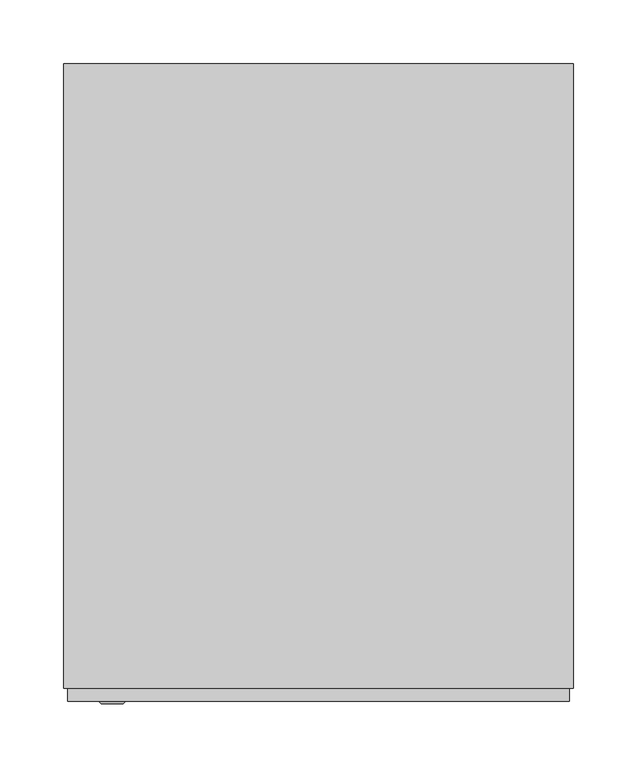
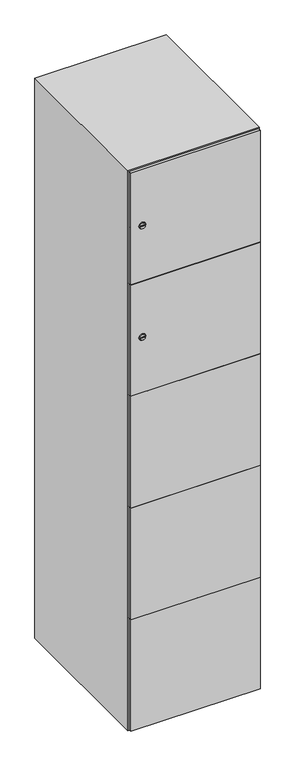
"""IFC4 building model written with IfcOpenShell, lengths in millimetres: furniture geometry."""

from ifc_helpers import new_model, si_unit, point, frame, frame_2d, origin, place, context, project, spatial, polyline, circle_curve, trimmed, segment, composite_curve, outline, extrude, faceted_brep, source, transform, mapped, element, save
from ifc_brep_helpers import plane_surface, revolved_surface, advanced_brep


def furniture_85cbd7ae(model_context):
    return source(origin(), model_context, "Body", "SolidModel", [
        advanced_brep(
        [(-153.5, -257.2, 1358.8), (-170.5, -257.2, 1358.8), (-167.0, -257.2, 1357.55), (-167.0, -257.2, 1360.05), (-157.0, -257.2, 1360.05), (-157.0, -257.2, 1357.55), (-151.5, -255.0, 1358.8), (-172.5, -255.0, 1358.8), (-167.0, -255.0, 1360.05), (-167.0, -255.0, 1357.55), (-157.0, -255.0, 1357.55), (-157.0, -255.0, 1360.05)],
        [
            (0, 1, circle_curve(frame((-162.0, -257.2, 1358.8), z_axis=(0.0, -1.0, 0.0), x_axis=(1.0, 0.0, 0.0)), 8.5)),
            (1, 0, circle_curve(frame((-162.0, -257.2, 1358.8), z_axis=(0.0, -1.0, 0.0), x_axis=(-1.0, 0.0, 0.0)), 8.5)),
            (2, 3),
            (3, 4),
            (4, 5),
            (5, 2),
            (6, 7, circle_curve(frame((-162.0, -255.0, 1358.8), z_axis=(0.0, 1.0, 0.0), x_axis=(-1.0, 0.0, 0.0)), 10.5)),
            (7, 6, circle_curve(frame((-162.0, -255.0, 1358.8), z_axis=(0.0, 1.0, 0.0), x_axis=(1.0, 0.0, 0.0)), 10.5)),
            (8, 9),
            (9, 10),
            (10, 11),
            (11, 8),
            (0, 6),
            (7, 1),
            (8, 3),
            (2, 9),
            (11, 4),
            (10, 5),
        ],
        [
            plane_surface(frame((-162.0, -257.2, 1358.8), z_axis=(0.0, -1.0, 0.0), x_axis=(0.0, 0.0, 1.0))),
            plane_surface(frame((-162.0, -255.0, 1358.8), z_axis=(0.0, 1.0, 0.0), x_axis=(0.0, 0.0, 1.0))),
            revolved_surface(polyline([(-153.5, -257.2, 1358.8), (-151.5, -255.0, 1358.8)]), (-162.0, -266.55, 1358.8), (0.0, 1.0, 0.0)),
            revolved_surface(polyline([(-170.5, -257.2, 1358.8), (-172.5, -255.0, 1358.8)]), (-162.0, -266.55, 1358.8), (0.0, 1.0, 0.0)),
            plane_surface(frame((-167.0, -255.0, 1357.55), z_axis=(1.0, 0.0, 0.0), x_axis=(0.0, -1.0, 0.0))),
            plane_surface(frame((-167.0, -255.0, 1360.05), z_axis=(0.0, 0.0, -1.0), x_axis=(0.0, -1.0, 0.0))),
            plane_surface(frame((-157.0, -255.0, 1360.05), z_axis=(-1.0, 0.0, 0.0), x_axis=(0.0, -1.0, 0.0))),
            plane_surface(frame((-157.0, -255.0, 1357.55), z_axis=(0.0, 0.0, 1.0), x_axis=(0.0, -1.0, 0.0))),
        ],
        [
            (0, [[1, 2], [3, 4, 5, 6]]),
            (1, [[7, 8], [9, 10, 11, 12]]),
            (2, [[-1, 13, -8, 14]]),
            (3, [[-2, -14, -7, -13]]),
            (4, [[15, -3, 16, -9]]),
            (5, [[-15, -12, 17, -4]]),
            (6, [[-17, -11, 18, -5]]),
            (7, [[-16, -6, -18, -10]]),
        ],
    ),
        extrude(outline(composite_curve([segment(trimmed(circle_curve(frame_2d((1717.6, -188.7989466)), 7.0), [point((1724.6, -188.7989466))], [point((1710.6, -188.7989466))], False, "CARTESIAN"), True, "CONTINUOUS"), segment(polyline([(1710.6, -188.7989466), (1710.6, -160.7989466)]), True, "CONTINUOUS"), segment(trimmed(circle_curve(frame_2d((1717.6, -160.7989466)), 7.0), [point((1710.6, -160.7989466))], [point((1724.6, -160.7989466))], False, "CARTESIAN"), True, "CONTINUOUS"), segment(polyline([(1724.6, -160.7989466), (1724.6, -188.7989466)]), True, "CONTINUOUS")], self_intersect=False)), frame((0.0, -245.0, 0.0), z_axis=(0.0, 1.0, 0.0), x_axis=(0.0, 0.0, 1.0)), (0.0, 0.0, 1.0), 2.0),
        advanced_brep(
        [(-153.5, -257.2, 1717.6), (-170.5, -257.2, 1717.6), (-167.0, -257.2, 1716.35), (-167.0, -257.2, 1718.85), (-157.0, -257.2, 1718.85), (-157.0, -257.2, 1716.35), (-151.5, -255.0, 1717.6), (-172.5, -255.0, 1717.6), (-167.0, -255.0, 1718.85), (-167.0, -255.0, 1716.35), (-157.0, -255.0, 1716.35), (-157.0, -255.0, 1718.85)],
        [
            (0, 1, circle_curve(frame((-162.0, -257.2, 1717.6), z_axis=(0.0, -1.0, 0.0), x_axis=(1.0, 0.0, 0.0)), 8.5)),
            (1, 0, circle_curve(frame((-162.0, -257.2, 1717.6), z_axis=(0.0, -1.0, 0.0), x_axis=(-1.0, 0.0, 0.0)), 8.5)),
            (2, 3),
            (3, 4),
            (4, 5),
            (5, 2),
            (6, 7, circle_curve(frame((-162.0, -255.0, 1717.6), z_axis=(0.0, 1.0, 0.0), x_axis=(-1.0, 0.0, 0.0)), 10.5)),
            (7, 6, circle_curve(frame((-162.0, -255.0, 1717.6), z_axis=(0.0, 1.0, 0.0), x_axis=(1.0, 0.0, 0.0)), 10.5)),
            (8, 9),
            (9, 10),
            (10, 11),
            (11, 8),
            (0, 6),
            (7, 1),
            (8, 3),
            (2, 9),
            (11, 4),
            (10, 5),
        ],
        [
            plane_surface(frame((-162.0, -257.2, 1717.6), z_axis=(0.0, -1.0, 0.0), x_axis=(0.0, 0.0, 1.0))),
            plane_surface(frame((-162.0, -255.0, 1717.6), z_axis=(0.0, 1.0, 0.0), x_axis=(0.0, 0.0, 1.0))),
            revolved_surface(polyline([(-153.5, -257.2, 1717.6), (-151.5, -255.0, 1717.6)]), (-162.0, -266.55, 1717.6), (0.0, 1.0, 0.0)),
            revolved_surface(polyline([(-170.5, -257.2, 1717.6), (-172.5, -255.0, 1717.6)]), (-162.0, -266.55, 1717.6), (0.0, 1.0, 0.0)),
            plane_surface(frame((-167.0, -255.0, 1716.35), z_axis=(1.0, 0.0, 0.0), x_axis=(0.0, -1.0, 0.0))),
            plane_surface(frame((-167.0, -255.0, 1718.85), z_axis=(0.0, 0.0, -1.0), x_axis=(0.0, -1.0, 0.0))),
            plane_surface(frame((-157.0, -255.0, 1718.85), z_axis=(-1.0, 0.0, 0.0), x_axis=(0.0, -1.0, 0.0))),
            plane_surface(frame((-157.0, -255.0, 1716.35), z_axis=(0.0, 0.0, 1.0), x_axis=(0.0, -1.0, 0.0))),
        ],
        [
            (0, [[1, 2], [3, 4, 5, 6]]),
            (1, [[7, 8], [9, 10, 11, 12]]),
            (2, [[-1, 13, -8, 14]]),
            (3, [[-2, -14, -7, -13]]),
            (4, [[15, -3, 16, -9]]),
            (5, [[-15, -12, 17, -4]]),
            (6, [[-17, -11, 18, -5]]),
            (7, [[-16, -6, -18, -10]]),
        ],
    ),
        extrude(outline(polyline([(197.0, -245.0), (197.0, -255.0), (-197.0, -255.0), (-197.0, -245.0), (197.0, -245.0)])), frame((0.0, 0.0, 820.1), z_axis=(0.0, 0.0, 1.0), x_axis=(1.0, 0.0, 0.0)), (0.0, 0.0, 1.0), 359.8),
        extrude(outline(polyline([(197.0, -245.0), (197.0, -255.0), (-197.0, -255.0), (-197.0, -245.0), (197.0, -245.0)])), frame((0.0, 0.0, 461.3), z_axis=(0.0, 0.0, 1.0), x_axis=(1.0, 0.0, 0.0)), (0.0, 0.0, 1.0), 359.8),
        extrude(outline(polyline([(197.0, -245.0), (197.0, -255.0), (-197.0, -255.0), (-197.0, -245.0), (197.0, -245.0)])), frame((0.0, 0.0, 1178.9), z_axis=(0.0, 0.0, 1.0), x_axis=(1.0, 0.0, 0.0)), (0.0, 0.0, 1.0), 358.8),
        extrude(outline(polyline([(-197.0, -255.0), (-197.0, -245.0), (197.0, -245.0), (197.0, -255.0), (-197.0, -255.0)])), frame((0.0, 0.0, 1538.7), z_axis=(0.0, 0.0, 1.0), x_axis=(1.0, 0.0, 0.0)), (0.0, 0.0, 1.0), 358.3),
        extrude(outline(polyline([(197.0, -245.0), (197.0, -255.0), (-197.0, -255.0), (-197.0, -245.0), (197.0, -245.0)])), frame((0.0, 0.0, 103.0), z_axis=(0.0, 0.0, 1.0), x_axis=(1.0, 0.0, 0.0)), (0.0, 0.0, 1.0), 359.3),
        extrude(outline(polyline([(190.0, 241.0), (190.0, -235.0), (-190.0, -235.0), (-190.0, 241.0), (190.0, 241.0)])), frame((0.0, 0.0, 1529.0), z_axis=(0.0, 0.0, 1.0), x_axis=(1.0, 0.0, 0.0)), (0.0, 0.0, 1.0), 10.0),
        extrude(outline(polyline([(190.0, 241.0), (190.0, -235.0), (-190.0, -235.0), (-190.0, 241.0), (190.0, 241.0)])), frame((0.0, 0.0, 1173.0), z_axis=(0.0, 0.0, 1.0), x_axis=(1.0, 0.0, 0.0)), (0.0, 0.0, 1.0), 10.0),
        extrude(outline(polyline([(190.0, 241.0), (190.0, -235.0), (-190.0, -235.0), (-190.0, 241.0), (190.0, 241.0)])), frame((0.0, 0.0, 817.0), z_axis=(0.0, 0.0, 1.0), x_axis=(1.0, 0.0, 0.0)), (0.0, 0.0, 1.0), 10.0),
        extrude(outline(polyline([(-190.0, 241.0), (190.0, 241.0), (190.0, -235.0), (-190.0, -235.0), (-190.0, 241.0)])), frame((0.0, 0.0, 461.0), z_axis=(0.0, 0.0, 1.0), x_axis=(1.0, 0.0, 0.0)), (0.0, 0.0, 1.0), 10.0),
        faceted_brep([(200.0, -245.0, 100.0), (200.0, -245.0, 1900.0), (-200.0, -245.0, 1900.0), (-200.0, -245.0, 100.0), (190.0, -245.0, 1890.0), (190.0, -245.0, 110.0), (-190.0, -245.0, 110.0), (-190.0, -245.0, 1890.0), (200.0, 245.0, 100.0), (-200.0, 245.0, 100.0), (200.0, 245.0, 1900.0), (-200.0, 245.0, 1900.0), (190.0, 241.0, 1890.0), (190.0, 241.0, 110.0), (-200.0, 245.0, 1890.0), (-190.0, 241.0, 1890.0), (-190.0, 241.0, 110.0)], [[[0, 1, 2, 3], [4, 5, 6, 7]], [[8, 0, 3, 9]], [[1, 0, 8, 10]], [[1, 10, 11, 2]], [[4, 12, 13, 5]], [[9, 3, 2, 11, 14]], [[10, 8, 9, 14, 11]], [[12, 15, 16, 13]], [[15, 7, 6, 16]], [[4, 7, 15, 12]], [[6, 5, 13, 16]]]),
    ])


if __name__ == "__main__":
    model = new_model("IFC4")
    model_context = context("Model", 3, world=origin())
    ifc_project = project(units=[si_unit("LENGTHUNIT", "METRE", prefix="MILLI")], contexts=[model_context])
    site = spatial("IfcSite", under=ifc_project)
    building = spatial("IfcBuilding", under=site)
    placement = place(None, origin())
    furniture_shape = furniture_85cbd7ae(model_context)
    element("IfcFurniture", 1, at=placement, inside=building, context=model_context, shape_type="MappedRepresentation", body=[
        mapped(furniture_shape, transform((0.0, 0.0, 0.0), x_axis=(1.0, 0.0, 0.0), y_axis=(0.0, 1.0, 0.0), z_axis=(0.0, 0.0, 1.0))),
    ])
    save(model, "model.ifc")
